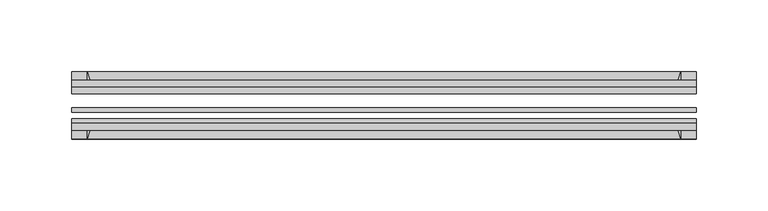
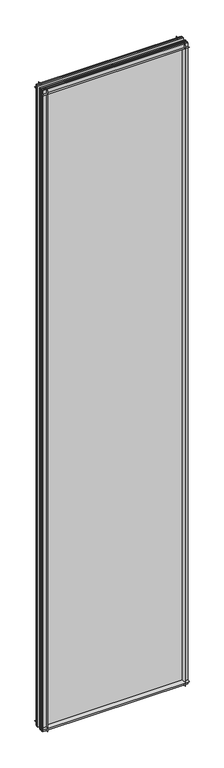
"""IFC4 building model written with IfcOpenShell, lengths in millimetres: plate geometry."""

from ifc_helpers import new_model, si_unit, point, frame, frame_2d, origin, place, context, project, spatial, polyline, circle_curve, trimmed, segment, composite_curve, outline, extrude, source, transform, mapped, element, save


def plate_d036eab8(model_context):
    return source(origin(), model_context, "Body", "SweptSolid", [
        extrude(outline(composite_curve([segment(polyline([(-74.653775, 0.0), (-80.586498, 0.0)]), True, "CONTINUOUS"), segment(trimmed(circle_curve(frame_2d((-86.2543953, 32.273404)), 32.7673262), [point((-80.586498, 0.0))], [point((-69.878575, 3.8915405))], True, "CARTESIAN"), True, "CONTINUOUS"), segment(polyline([(-69.878575, 3.8915405), (-69.878575, -10.31875), (-74.653775, -10.31875), (-74.653775, 0.0)]), True, "CONTINUOUS")], self_intersect=False)), frame((-218.28125, 0.0, 0.0), z_axis=(1.0, 0.0, 0.0), x_axis=(0.0, 1.0, 0.0)), (0.0, 0.0, 1.0), 436.5625),
        extrude(outline(composite_curve([segment(polyline([(-44.478575, -10.31875), (-44.478575, 3.8915405)]), True, "CONTINUOUS"), segment(trimmed(circle_curve(frame_2d((-28.1027547, 32.273404)), 32.7673262), [point((-44.478575, 3.8915405))], [point((-33.770652, 0.0))], True, "CARTESIAN"), True, "CONTINUOUS"), segment(polyline([(-33.770652, 0.0), (-39.703375, 0.0), (-39.703375, -10.31875), (-44.478575, -10.31875)]), True, "CONTINUOUS")], self_intersect=False)), frame((-218.28125, 0.0, 0.0), z_axis=(1.0, 0.0, 0.0), x_axis=(0.0, 1.0, 0.0)), (0.0, 0.0, 1.0), 436.5625),
        extrude(outline(composite_curve([segment(trimmed(circle_curve(frame_2d((-86.2543953, 1977.495246)), 32.7673262), [point((-69.878575, 2005.8771095))], [point((-80.622775, 2009.775))], True, "CARTESIAN"), True, "CONTINUOUS"), segment(polyline([(-80.622775, 2009.775), (-74.653775, 2009.775), (-74.653775, 2020.8875), (-69.878575, 2020.8875), (-69.878575, 2005.8771095)]), True, "CONTINUOUS")], self_intersect=False)), frame((-218.28125, 0.0, 0.0), z_axis=(1.0, 0.0, 0.0), x_axis=(0.0, 1.0, 0.0)), (0.0, 0.0, 1.0), 436.5625),
        extrude(outline(composite_curve([segment(polyline([(-44.478575, 2005.8771095), (-44.478575, 2020.8875), (-39.703375, 2020.8875), (-39.703375, 2009.775), (-33.734375, 2009.775)]), True, "CONTINUOUS"), segment(trimmed(circle_curve(frame_2d((-28.1027547, 1977.495246)), 32.7673262), [point((-33.734375, 2009.775))], [point((-44.478575, 2005.8771095))], True, "CARTESIAN"), True, "CONTINUOUS")], self_intersect=False)), frame((-218.28125, 0.0, 0.0), z_axis=(1.0, 0.0, 0.0), x_axis=(0.0, 1.0, 0.0)), (0.0, 0.0, 1.0), 436.5625),
        extrude(outline(composite_curve([segment(polyline([(203.2708595, -69.878575), (218.28125, -69.878575), (218.28125, -74.653775), (207.16875, -74.653775), (207.16875, -80.622775)]), True, "CONTINUOUS"), segment(trimmed(circle_curve(frame_2d((174.888996, -86.2543953)), 32.7673262), [point((207.16875, -80.622775))], [point((203.2708595, -69.878575))], True, "CARTESIAN"), True, "CONTINUOUS")], self_intersect=False)), frame((0.0, 0.0, -10.31875), z_axis=(0.0, 0.0, 1.0), x_axis=(1.0, 0.0, 0.0)), (0.0, 0.0, 1.0), 2031.20625),
        extrude(outline(composite_curve([segment(trimmed(circle_curve(frame_2d((174.888996, -28.1027547)), 32.7673262), [point((203.2708595, -44.478575))], [point((207.16875, -33.734375))], True, "CARTESIAN"), True, "CONTINUOUS"), segment(polyline([(207.16875, -33.734375), (207.16875, -39.703375), (218.28125, -39.703375), (218.28125, -44.478575), (203.2708595, -44.478575)]), True, "CONTINUOUS")], self_intersect=False)), frame((0.0, 0.0, -10.31875), z_axis=(0.0, 0.0, 1.0), x_axis=(1.0, 0.0, 0.0)), (0.0, 0.0, 1.0), 2031.20625),
        extrude(outline(composite_curve([segment(trimmed(circle_curve(frame_2d((-174.888996, -86.2543953)), 32.7673262), [point((-203.2708595, -69.878575))], [point((-207.16875, -80.622775))], True, "CARTESIAN"), True, "CONTINUOUS"), segment(polyline([(-207.16875, -80.622775), (-207.16875, -74.653775), (-218.28125, -74.653775), (-218.28125, -69.878575), (-203.2708595, -69.878575)]), True, "CONTINUOUS")], self_intersect=False)), frame((0.0, 0.0, -10.31875), z_axis=(0.0, 0.0, 1.0), x_axis=(1.0, 0.0, 0.0)), (0.0, 0.0, 1.0), 2031.20625),
        extrude(outline(composite_curve([segment(polyline([(-203.2708595, -44.478575), (-218.28125, -44.478575), (-218.28125, -39.703375), (-207.16875, -39.703375), (-207.16875, -33.734375)]), True, "CONTINUOUS"), segment(trimmed(circle_curve(frame_2d((-174.888996, -28.1027547)), 32.7673262), [point((-207.16875, -33.734375))], [point((-203.2708595, -44.478575))], True, "CARTESIAN"), True, "CONTINUOUS")], self_intersect=False)), frame((0.0, 0.0, -10.31875), z_axis=(0.0, 0.0, 1.0), x_axis=(1.0, 0.0, 0.0)), (0.0, 0.0, 1.0), 2031.20625),
        extrude(outline(polyline([(-218.28125, -44.478575), (218.28125, -44.478575), (218.28125, -49.241075), (-218.28125, -49.241075), (-218.28125, -44.478575)])), frame((0.0, 0.0, -10.31875), z_axis=(0.0, 0.0, 1.0), x_axis=(1.0, 0.0, 0.0)), (0.0, 0.0, 1.0), 2031.20625),
        extrude(outline(polyline([(218.28125, -58.956575), (218.28125, -62.131575), (-218.28125, -62.131575), (-218.28125, -58.956575), (218.28125, -58.956575)])), frame((0.0, 0.0, -10.31875), z_axis=(0.0, 0.0, 1.0), x_axis=(1.0, 0.0, 0.0)), (0.0, 0.0, 1.0), 2031.20625),
        extrude(outline(polyline([(-218.28125, -66.703575), (218.28125, -66.703575), (218.28125, -69.878575), (-218.28125, -69.878575), (-218.28125, -66.703575)])), frame((0.0, 0.0, -10.31875), z_axis=(0.0, 0.0, 1.0), x_axis=(1.0, 0.0, 0.0)), (0.0, 0.0, 1.0), 2031.20625),
    ])


if __name__ == "__main__":
    model = new_model("IFC4")
    model_context = context("Model", 3, world=origin())
    ifc_project = project(units=[si_unit("LENGTHUNIT", "METRE", prefix="MILLI")], contexts=[model_context])
    site = spatial("IfcSite", under=ifc_project)
    building = spatial("IfcBuilding", under=site)
    placement = place(None, origin())
    plate_shape = plate_d036eab8(model_context)
    element("IfcPlate", 1, at=placement, inside=building, context=model_context, shape_type="MappedRepresentation", body=[
        mapped(plate_shape, transform((0.0, 0.0, 0.0), x_axis=(1.0, 0.0, 0.0), y_axis=(0.0, 1.0, 0.0), z_axis=(0.0, 0.0, 1.0))),
    ])
    save(model, "model.ifc")
